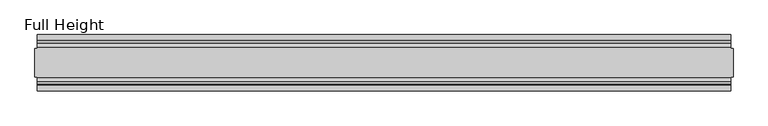
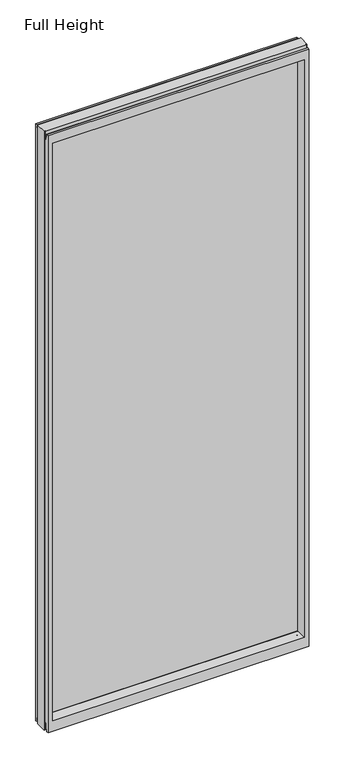
"""IFC4 building model written with IfcOpenShell, lengths in millimetres: plate geometry, Full Height."""

from ifc_helpers import new_model, si_unit, frame, origin, place, context, project, spatial, polyline, circle_curve, outline, extrude, source, transform, mapped, element, save
from ifc_brep_helpers import plane_surface, cylinder_surface, revolved_surface, advanced_brep


def full_height_3e2816e4(model_context):
    return source(origin(), model_context, "Body", "SolidModel", [
        advanced_brep(
        [(622.3, 25.146, 2993.136), (617.728, 25.146, 2993.136), (617.728, 26.67, 2993.136), (-617.728, 26.67, 2993.136), (-617.728, 25.146, 2993.136), (-622.3, 25.146, 2993.136), (-622.3, -25.146, 2993.136), (-617.728, -25.146, 2993.136), (-617.728, -26.67, 2993.136), (617.728, -26.67, 2993.136), (617.728, -25.146, 2993.136), (622.3, -25.146, 2993.136), (622.3, 25.146, 0.0), (622.3, -25.146, 0.0), (617.728, -25.146, 0.0), (617.728, -26.67, 0.0), (-617.728, -26.67, 0.0), (-617.728, -25.146, 0.0), (-622.3, -25.146, 0.0), (-622.3, 25.146, 0.0), (-617.728, 25.146, 0.0), (-617.728, 26.67, 0.0), (617.728, 26.67, 0.0), (617.728, 25.146, 0.0), (-617.728, 40.7946686, 0.0), (-617.728, 50.0, 0.0), (617.728, 50.0, 0.0), (617.728, 40.7946686, 0.0), (-617.728, 26.67, 36.4542208), (617.728, 26.67, 36.4542208), (-617.728, -26.67, 36.4542208), (-617.728, -34.2686707, 36.8568054), (-617.728, -36.9464913, 11.6561909), (-617.728, -39.043018, 8.6755976), (-617.728, -39.5246686, 7.9074686), (-617.728, -39.5246686, 1.27), (-617.728, -40.7946686, 0.0), (-617.728, -50.0, 0.0), (-617.728, -50.0, 2983.992), (-617.728, -39.9371387, 2983.992), (-617.728, -39.1867152, 2983.3623199), (-617.728, -34.2321175, 2955.2634004), (-617.728, -26.67, 2955.925), (-617.728, 39.5246686, 1.27), (-617.728, 39.5246686, 7.9074686), (-617.728, 39.043018, 8.6755976), (-617.728, 36.9464913, 11.6561909), (-617.728, 34.2686707, 36.8568054), (-617.728, 26.67, 2955.925), (-617.728, 34.2321175, 2955.2634004), (-617.728, 39.1867152, 2983.3623199), (-617.728, 39.9371387, 2983.992), (-617.728, 50.0, 2983.992), (617.728, -50.0, 0.0), (617.728, -50.0, 2983.992), (-595.63, -50.0, 2939.415), (595.63, -50.0, 2939.415), (595.63, -50.0, 52.8372208), (-595.63, -50.0, 52.8372208), (617.728, 50.0, 2983.992), (-595.63, 50.0, 52.8372208), (595.63, 50.0, 52.8372208), (595.63, 50.0, 2939.415), (-595.63, 50.0, 2939.415), (-589.661, -6.1006519, 58.8062208), (-589.661, -6.1006519, 2933.446), (-589.661, 6.1006519, 2933.446), (-589.661, 6.1006519, 58.8062208), (589.661, 6.1006519, 58.8062208), (589.661, 6.1006519, 2933.446), (589.661, -6.1006519, 2933.446), (589.661, -6.1006519, 58.8062208), (617.728, -40.7946686, 0.0), (617.728, -39.5246686, 1.27), (617.728, -39.5246686, 7.9074686), (617.728, -39.043018, 8.6755976), (617.728, -36.9464913, 11.6561909), (617.728, -34.2686707, 36.8568054), (617.728, -26.67, 36.4542208), (617.728, -26.67, 2955.925), (617.728, -34.2321175, 2955.2634004), (617.728, -39.1867152, 2983.3623199), (617.728, -39.9371387, 2983.992), (617.728, 39.9371387, 2983.992), (617.728, 39.1867152, 2983.3623199), (617.728, 34.2321175, 2955.2634004), (617.728, 26.67, 2955.925), (617.728, 34.2686707, 36.8568054), (617.728, 36.9464913, 11.6561909), (617.728, 39.043018, 8.6755976), (617.728, 39.5246686, 7.9074686), (617.728, 39.5246686, 1.27)],
        [
            (0, 1),
            (1, 2),
            (2, 3),
            (3, 4),
            (4, 5),
            (5, 6),
            (6, 7),
            (7, 8),
            (8, 9),
            (9, 10),
            (10, 11),
            (11, 0),
            (12, 13),
            (13, 14),
            (14, 15),
            (15, 16),
            (16, 17),
            (17, 18),
            (18, 19),
            (19, 20),
            (20, 21),
            (21, 22),
            (22, 23),
            (23, 12),
            (23, 1),
            (0, 12),
            (10, 14),
            (13, 11),
            (5, 19),
            (18, 6),
            (17, 7),
            (4, 20),
            (24, 25),
            (25, 26),
            (26, 27),
            (27, 24),
            (21, 28),
            (28, 29),
            (29, 22),
            (16, 30),
            (30, 31, circle_curve(frame((-617.728, -30.48, 36.4542208), z_axis=(1.0, 0.0, 0.0), x_axis=(0.0, -1.0, 0.0)), 3.81)),
            (31, 32),
            (32, 33, circle_curve(frame((-617.728, -40.6770502, 12.0526006), z_axis=(-1.0, 0.0, 0.0), x_axis=(0.0, -1.0, 0.0)), 3.751561)),
            (33, 34, circle_curve(frame((-617.728, -38.671343, 7.9074686), z_axis=(1.0, 0.0, 0.0), x_axis=(0.0, -1.0, 0.0)), 0.8533256)),
            (34, 35),
            (35, 36, circle_curve(frame((-617.728, -40.7946686, 1.27), z_axis=(-1.0, 0.0, 0.0), x_axis=(0.0, -1.0, 0.0)), 1.27)),
            (36, 37),
            (37, 38),
            (38, 39),
            (39, 40, circle_curve(frame((-617.728, -39.9371387, 2983.23), z_axis=(-1.0, 0.0, 0.0), x_axis=(0.0, -1.0, 0.0)), 0.762)),
            (40, 41),
            (41, 42, circle_curve(frame((-617.728, -30.48, 2955.925), z_axis=(1.0, 0.0, 0.0), x_axis=(0.0, -1.0, 0.0)), 3.81)),
            (42, 8),
            (24, 43, circle_curve(frame((-617.728, 40.7946686, 1.27), z_axis=(-1.0, 0.0, 0.0), x_axis=(0.0, -1.0, 0.0)), 1.27)),
            (43, 44),
            (44, 45, circle_curve(frame((-617.728, 38.671343, 7.9074686), z_axis=(1.0, 0.0, 0.0), x_axis=(0.0, -1.0, 0.0)), 0.8533256)),
            (45, 46, circle_curve(frame((-617.728, 40.6770502, 12.0526006), z_axis=(-1.0, 0.0, 0.0), x_axis=(0.0, -1.0, 0.0)), 3.751561)),
            (46, 47),
            (47, 28, circle_curve(frame((-617.728, 30.48, 36.4542208), z_axis=(1.0, 0.0, 0.0), x_axis=(0.0, -1.0, 0.0)), 3.81)),
            (3, 48),
            (48, 49, circle_curve(frame((-617.728, 30.48, 2955.925), z_axis=(1.0, 0.0, 0.0), x_axis=(0.0, -1.0, 0.0)), 3.81)),
            (49, 50),
            (50, 51, circle_curve(frame((-617.728, 39.9371387, 2983.23), z_axis=(-1.0, 0.0, 0.0), x_axis=(0.0, -1.0, 0.0)), 0.762)),
            (51, 52),
            (52, 25),
            (37, 53),
            (53, 54),
            (54, 38),
            (55, 56),
            (56, 57),
            (57, 58),
            (58, 55),
            (52, 59),
            (59, 26),
            (60, 61),
            (61, 62),
            (62, 63),
            (63, 60),
            (58, 64),
            (64, 65),
            (65, 55),
            (63, 66),
            (66, 67),
            (67, 60),
            (61, 68),
            (68, 69),
            (69, 62),
            (70, 71),
            (71, 57),
            (56, 70),
            (53, 72),
            (72, 73, circle_curve(frame((617.728, -40.7946686, 1.27), z_axis=(1.0, 0.0, 0.0), x_axis=(0.0, -1.0, 0.0)), 1.27)),
            (73, 74),
            (74, 75, circle_curve(frame((617.728, -38.671343, 7.9074686), z_axis=(-1.0, 0.0, 0.0), x_axis=(0.0, -1.0, 0.0)), 0.8533256)),
            (75, 76, circle_curve(frame((617.728, -40.6770502, 12.0526006), z_axis=(1.0, 0.0, 0.0), x_axis=(0.0, -1.0, 0.0)), 3.751561)),
            (76, 77),
            (77, 78, circle_curve(frame((617.728, -30.48, 36.4542208), z_axis=(-1.0, 0.0, 0.0), x_axis=(0.0, -1.0, 0.0)), 3.81)),
            (78, 15),
            (9, 79),
            (79, 80, circle_curve(frame((617.728, -30.48, 2955.925), z_axis=(-1.0, 0.0, 0.0), x_axis=(0.0, -1.0, 0.0)), 3.81)),
            (80, 81),
            (81, 82, circle_curve(frame((617.728, -39.9371387, 2983.23), z_axis=(1.0, 0.0, 0.0), x_axis=(0.0, -1.0, 0.0)), 0.762)),
            (82, 54),
            (59, 83),
            (83, 84, circle_curve(frame((617.728, 39.9371387, 2983.23), z_axis=(1.0, 0.0, 0.0), x_axis=(0.0, -1.0, 0.0)), 0.762)),
            (84, 85),
            (85, 86, circle_curve(frame((617.728, 30.48, 2955.925), z_axis=(-1.0, 0.0, 0.0), x_axis=(0.0, -1.0, 0.0)), 3.81)),
            (86, 2),
            (29, 87, circle_curve(frame((617.728, 30.48, 36.4542208), z_axis=(-1.0, 0.0, 0.0), x_axis=(0.0, -1.0, 0.0)), 3.81)),
            (87, 88),
            (88, 89, circle_curve(frame((617.728, 40.6770502, 12.0526006), z_axis=(1.0, 0.0, 0.0), x_axis=(0.0, -1.0, 0.0)), 3.751561)),
            (89, 90, circle_curve(frame((617.728, 38.671343, 7.9074686), z_axis=(-1.0, 0.0, 0.0), x_axis=(0.0, -1.0, 0.0)), 0.8533256)),
            (90, 91),
            (91, 27, circle_curve(frame((617.728, 40.7946686, 1.27), z_axis=(1.0, 0.0, 0.0), x_axis=(0.0, -1.0, 0.0)), 1.27)),
            (91, 43),
            (90, 44),
            (89, 45),
            (88, 46),
            (87, 47),
            (78, 30),
            (31, 77),
            (76, 32),
            (75, 33),
            (74, 34),
            (73, 35),
            (72, 36),
            (71, 64),
            (67, 68),
            (86, 48),
            (85, 49),
            (84, 50),
            (83, 51),
            (69, 66),
            (65, 70),
            (82, 39),
            (81, 40),
            (80, 41),
            (79, 42),
            (65, 66),
            (69, 70),
            (71, 68),
            (67, 64),
        ],
        [
            plane_surface(frame((617.728, 25.146, 2993.136), z_axis=(0.0, 0.0, 1.0), x_axis=(-1.0, 0.0, 0.0))),
            plane_surface(frame((617.728, 25.146, 0.0), z_axis=(0.0, 0.0, -1.0), x_axis=(1.0, 0.0, 0.0))),
            plane_surface(frame((622.3, 25.146, 2993.136), z_axis=(0.0, 1.0, 0.0), x_axis=(0.0, 0.0, -1.0))),
            plane_surface(frame((617.728, -25.146, 2993.136), z_axis=(0.0, -1.0, 0.0), x_axis=(0.0, 0.0, -1.0))),
            plane_surface(frame((622.3, -25.146, 2993.136), z_axis=(1.0, 0.0, 0.0), x_axis=(0.0, 0.0, -1.0))),
            plane_surface(frame((-622.3, 25.146, 2993.136), z_axis=(-1.0, 0.0, 0.0), x_axis=(0.0, 0.0, -1.0))),
            plane_surface(frame((-622.3, -25.146, 2993.136), z_axis=(0.0, -1.0, 0.0), x_axis=(0.0, 0.0, -1.0))),
            plane_surface(frame((-617.728, 25.146, 2993.136), z_axis=(0.0, 1.0, 0.0), x_axis=(0.0, 0.0, -1.0))),
            plane_surface(frame((-617.728, 50.0, 0.0), z_axis=(0.0, 0.0, -1.0), x_axis=(1.0, 0.0, 0.0))),
            plane_surface(frame((-617.728, 26.67, 36.4542208), z_axis=(0.0, 1.0, 0.0), x_axis=(1.0, 0.0, 0.0))),
            plane_surface(frame((-617.728, 50.0, 2951.2006), z_axis=(-1.0, 0.0, 0.0), x_axis=(0.0, 0.0, -1.0))),
            plane_surface(frame((-617.728, -50.0, 2951.2006), z_axis=(0.0, -1.0, 0.0), x_axis=(0.0, 0.0, -1.0))),
            plane_surface(frame((-595.63, 50.0, 2951.2006), z_axis=(0.0, 1.0, 0.0), x_axis=(0.0, 0.0, -1.0))),
            plane_surface(frame((-595.63, -50.0, 2951.2006), z_axis=(0.9908822943533606, -0.13473039277393942, 0.0), x_axis=(0.0, 0.0, -1.0))),
            plane_surface(frame((-589.661, 6.1006519, 2951.2006), z_axis=(0.9908822943533612, 0.13473039277393595, 0.0), x_axis=(0.0, 0.0, -1.0))),
            plane_surface(frame((595.63, 50.0, 2951.2006), z_axis=(-0.9908822943533605, 0.1347303927739403, 0.0), x_axis=(0.0, 0.0, -1.0))),
            plane_surface(frame((589.661, -6.1006519, 2951.2006), z_axis=(-0.9908822943533563, -0.13473039277397156, 0.0), x_axis=(0.0, 0.0, -1.0))),
            plane_surface(frame((617.728, -50.0, 2951.2006), z_axis=(1.0, 0.0, 0.0), x_axis=(0.0, 0.0, -1.0))),
            cylinder_surface(frame((617.728, 40.7946686, 1.27), z_axis=(-1.0, 0.0, 0.0), x_axis=(0.0, -1.0, 0.0)), 1.27),
            plane_surface(frame((-617.728, 39.5246686, 1.27), z_axis=(0.0, -1.0, 0.0), x_axis=(1.0, 0.0, 0.0))),
            revolved_surface(polyline([(617.728, 37.8180174, 7.9074686), (-617.728, 37.8180174, 7.9074686)]), (617.728, 38.671343, 7.9074686), (1.0, 0.0, 0.0)),
            cylinder_surface(frame((617.728, 40.6770502, 12.0526006), z_axis=(-1.0, 0.0, 0.0), x_axis=(0.0, -1.0, 0.0)), 3.751561),
            plane_surface(frame((-617.728, 36.9464913, 11.6561909), z_axis=(0.0, -0.9944017560866673, -0.10566526151840273), x_axis=(1.0, 0.0, 0.0))),
            plane_surface(frame((-617.728, -26.67, 0.0), z_axis=(0.0, -1.0, 0.0), x_axis=(1.0, 0.0, 0.0))),
            plane_surface(frame((-617.728, -34.2686707, 36.8568054), z_axis=(0.0, 0.9944017560866222, -0.10566526151882638), x_axis=(1.0, 0.0, 0.0))),
            cylinder_surface(frame((617.728, -40.6770502, 12.0526006), z_axis=(-1.0, 0.0, 0.0), x_axis=(0.0, -1.0, 0.0)), 3.751561),
            revolved_surface(polyline([(617.728, -39.5246686, 7.9074686), (-617.728, -39.5246686, 7.9074686)]), (617.728, -38.671343, 7.9074686), (1.0, 0.0, 0.0)),
            plane_surface(frame((-617.728, -39.5246686, 7.9074686), z_axis=(0.0, 1.0, 0.0), x_axis=(1.0, 0.0, 0.0))),
            cylinder_surface(frame((617.728, -40.7946686, 1.27), z_axis=(-1.0, 0.0, 0.0), x_axis=(0.0, -1.0, 0.0)), 1.27),
            plane_surface(frame((-617.728, -40.7946686, 0.0), z_axis=(0.0, 0.0, -1.0), x_axis=(1.0, 0.0, 0.0))),
            plane_surface(frame((-617.728, -50.0, 52.8372208), z_axis=(0.0, -0.13473039277394738, 0.9908822943533596), x_axis=(1.0, 0.0, 0.0))),
            plane_surface(frame((-617.728, 6.1006519, 58.8062208), z_axis=(0.0, 0.13473039277399934, 0.9908822943533526), x_axis=(1.0, 0.0, 0.0))),
            revolved_surface(polyline([(617.728, 26.67, 36.4542208), (-617.728, 26.67, 36.4542208)]), (617.728, 30.48, 36.4542208), (1.0, 0.0, 0.0)),
            revolved_surface(polyline([(617.728, -34.29, 36.4542208), (-617.728, -34.29, 36.4542208)]), (617.728, -30.48, 36.4542208), (1.0, 0.0, 0.0)),
            plane_surface(frame((-617.728, 26.67, 2993.136), z_axis=(0.0, 1.0, 0.0), x_axis=(1.0, 0.0, 0.0))),
            revolved_surface(polyline([(617.7279999999998, 26.67, 2955.925), (-617.728, 26.67, 2955.925)]), (-622.3, 30.48, 2955.925), (1.0, 0.0, 0.0)),
            plane_surface(frame((-617.728, 34.2321175, 2955.2634004), z_axis=(0.0, -0.9848077530113105, 0.1736481776720208), x_axis=(1.0, 0.0, 0.0))),
            cylinder_surface(frame((-622.3, 39.9371387, 2983.23), z_axis=(-1.0, 0.0, 0.0), x_axis=(0.0, -1.0, 0.0)), 0.762),
            plane_surface(frame((-617.728, 39.9371387, 2983.992), z_axis=(0.0, 0.0, 1.0), x_axis=(1.0, 0.0, 0.0))),
            plane_surface(frame((-617.728, 50.0, 2939.415), z_axis=(0.0, 0.13473039277344978, -0.9908822943534272), x_axis=(1.0, 0.0, 0.0))),
            plane_surface(frame((-617.728, -6.1006519, 2933.446), z_axis=(0.0, -0.13473039277247661, -0.9908822943535596), x_axis=(1.0, 0.0, 0.0))),
            plane_surface(frame((-617.728, -50.0, 2983.992), z_axis=(0.0, 0.0, 1.0), x_axis=(1.0, 0.0, 0.0))),
            cylinder_surface(frame((-622.3, -39.9371387, 2983.23), z_axis=(-1.0, 0.0, 0.0), x_axis=(0.0, -1.0, 0.0)), 0.762),
            plane_surface(frame((-617.728, -39.1867152, 2983.3623199), z_axis=(0.0, 0.984807753010384, 0.17364817767727492), x_axis=(1.0, 0.0, 0.0))),
            revolved_surface(polyline([(617.7279999999998, -34.29, 2955.925), (-617.728, -34.29, 2955.925)]), (-622.3, -30.48, 2955.925), (1.0, 0.0, 0.0)),
            plane_surface(frame((-617.728, -26.67, 2955.925), z_axis=(0.0, -1.0, 0.0), x_axis=(1.0, 0.0, 0.0))),
            plane_surface(frame((-617.728, 6.1006519, 2933.446), z_axis=(0.0, 0.0, -1.0), x_axis=(1.0, 0.0, 0.0))),
            plane_surface(frame((-617.728, -6.1006519, 58.8062208), z_axis=(0.0, 0.0, 1.0), x_axis=(1.0, 0.0, 0.0))),
            plane_surface(frame((-589.661, -6.1006519, 2951.2006), z_axis=(1.0, 0.0, 0.0), x_axis=(0.0, 0.0, -1.0))),
            plane_surface(frame((589.661, 6.1006519, 2951.2006), z_axis=(-1.0, 0.0, 0.0), x_axis=(0.0, 0.0, -1.0))),
        ],
        [
            (0, [[1, 2, 3, 4, 5, 6, 7, 8, 9, 10, 11, 12]]),
            (1, [[13, 14, 15, 16, 17, 18, 19, 20, 21, 22, 23, 24]]),
            (2, [[25, -1, 26, -24]]),
            (3, [[-11, 27, -14, 28]]),
            (4, [[-12, -28, -13, -26]]),
            (5, [[-6, 29, -19, 30]]),
            (6, [[31, -7, -30, -18]]),
            (7, [[-5, 32, -20, -29]]),
            (8, [[33, 34, 35, 36]]),
            (9, [[37, 38, 39, -22]]),
            (10, [[-17, 40, 41, 42, 43, 44, 45, 46, 47, 48, 49, 50, 51, 52, 53, -8, -31]]),
            (10, [[-33, 54, 55, 56, 57, 58, 59, -37, -21, -32, -4, 60, 61, 62, 63, 64, 65]]),
            (11, [[-48, 66, 67, 68], [69, 70, 71, 72]]),
            (12, [[-65, 73, 74, -34], [75, 76, 77, 78]]),
            (13, [[-72, 79, 80, 81]]),
            (14, [[-78, 82, 83, 84]]),
            (15, [[-76, 85, 86, 87]]),
            (16, [[88, 89, -70, 90]]),
            (17, [[-67, 91, 92, 93, 94, 95, 96, 97, 98, -15, -27, -10, 99, 100, 101, 102, 103]]),
            (17, [[-74, 104, 105, 106, 107, 108, -2, -25, -23, -39, 109, 110, 111, 112, 113, 114, -35]]),
            (18, [[-54, -36, -114, 115]]),
            (19, [[-55, -115, -113, 116]]),
            (20, [[-56, -116, -112, 117]]),
            (21, [[-57, -117, -111, 118]]),
            (22, [[-58, -118, -110, 119]]),
            (23, [[-40, -16, -98, 120]]),
            (24, [[-42, 121, -96, 122]]),
            (25, [[-43, -122, -95, 123]]),
            (26, [[-44, -123, -94, 124]]),
            (27, [[-45, -124, -93, 125]]),
            (28, [[-46, -125, -92, 126]]),
            (29, [[-47, -126, -91, -66]]),
            (30, [[-71, -89, 127, -79]]),
            (31, [[-75, -84, 128, -85]]),
            (32, [[-59, -119, -109, -38]]),
            (33, [[-41, -120, -97, -121]]),
            (34, [[-60, -3, -108, 129]]),
            (35, [[-61, -129, -107, 130]]),
            (36, [[-62, -130, -106, 131]]),
            (37, [[-63, -131, -105, 132]]),
            (38, [[-64, -132, -104, -73]]),
            (39, [[-77, -87, 133, -82]]),
            (40, [[-69, -81, 134, -90]]),
            (41, [[-49, -68, -103, 135]]),
            (42, [[-50, -135, -102, 136]]),
            (43, [[-51, -136, -101, 137]]),
            (44, [[-52, -137, -100, 138]]),
            (45, [[-53, -138, -99, -9]]),
            (46, [[-134, 139, -133, 140]]),
            (47, [[-127, 141, -128, 142]]),
            (48, [[-83, -139, -80, -142]]),
            (49, [[-88, -140, -86, -141]]),
        ],
    ),
        extrude(outline(polyline([(-589.661, 4.826), (589.661, 4.826), (589.661, -4.826), (-589.661, -4.826), (-589.661, 4.826)])), frame((0.0, 0.0, 58.8062208), z_axis=(0.0, 0.0, 1.0), x_axis=(1.0, 0.0, 0.0)), (0.0, 0.0, 1.0), 2874.6397792),
    ])


if __name__ == "__main__":
    model = new_model("IFC4")
    model_context = context("Model", 3, world=origin())
    ifc_project = project(units=[si_unit("LENGTHUNIT", "METRE", prefix="MILLI")], contexts=[model_context])
    site = spatial("IfcSite", under=ifc_project)
    building = spatial("IfcBuilding", under=site)
    placement = place(None, origin())
    full_height_shape = full_height_3e2816e4(model_context)
    element("IfcPlate", 1, ObjectType="Full Height", at=placement, inside=building, context=model_context, shape_type="MappedRepresentation", body=[
        mapped(full_height_shape, transform((0.0, 0.0, 0.0), x_axis=(1.0, 0.0, 0.0), y_axis=(0.0, 1.0, 0.0), z_axis=(0.0, 0.0, 1.0))),
    ])
    save(model, "model.ifc")
